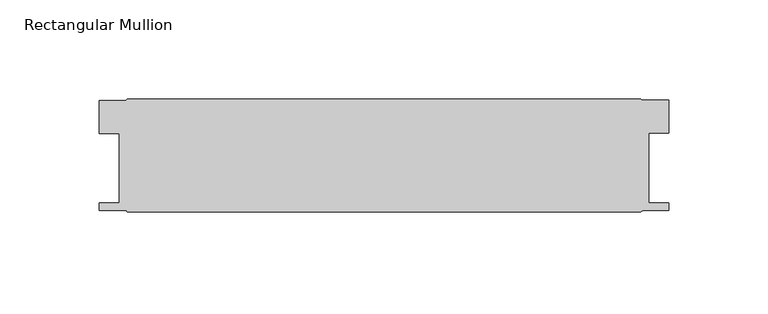
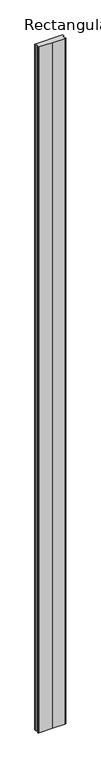
"""IFC4 building model written with IfcOpenShell, lengths in millimetres: member geometry, Rectangular Mullion."""

from ifc_helpers import new_model, si_unit, frame, origin, place, context, project, spatial, polyline, outline, extrude, source, transform, mapped, element, save


def rectangular_mullion_5897b21f(model_context):
    return source(origin(), model_context, "Body", "SweptSolid", [
        extrude(outline(polyline([(-144.2418677, -33.3247998), (-144.2418677, -16.6623999), (-130.7544678, -16.6623999), (-129.9670679, -15.875), (128.8084629, -15.875), (129.6003564, -16.3321999), (143.0832627, -16.3321999), (143.0832627, -32.9945998), (133.0502629, -32.9945998), (133.0502629, -68.2625003), (143.0959629, -68.2625003), (143.0959629, -72.23125), (130.0210401, -72.1759514), (128.8084729, -73.025), (0.4314832, -73.025), (-129.9670679, -73.025), (-130.5634032, -72.173345), (-144.2545679, -72.23125), (-144.2545679, -68.2625003), (-134.2088679, -68.2625003), (-134.2088679, -33.3247998), (-144.2418677, -33.3247998)])), frame((0.0, 0.0, -7467.6), z_axis=(0.0, 0.0, 1.0), x_axis=(1.0, 0.0, 0.0)), (0.0, 0.0, 1.0), 7467.6),
    ])


if __name__ == "__main__":
    model = new_model("IFC4")
    model_context = context("Model", 3, world=origin())
    ifc_project = project(units=[si_unit("LENGTHUNIT", "METRE", prefix="MILLI")], contexts=[model_context])
    site = spatial("IfcSite", under=ifc_project)
    building = spatial("IfcBuilding", under=site)
    placement = place(None, origin())
    rectangular_mullion_shape = rectangular_mullion_5897b21f(model_context)
    element("IfcMember", 1, ObjectType="Rectangular Mullion", at=placement, inside=building, context=model_context, shape_type="MappedRepresentation", body=[
        mapped(rectangular_mullion_shape, transform((0.0, 0.0, 0.0), x_axis=(1.0, 0.0, 0.0), y_axis=(0.0, 1.0, 0.0), z_axis=(0.0, 0.0, 1.0))),
    ])
    save(model, "model.ifc")
